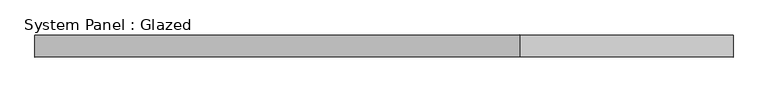
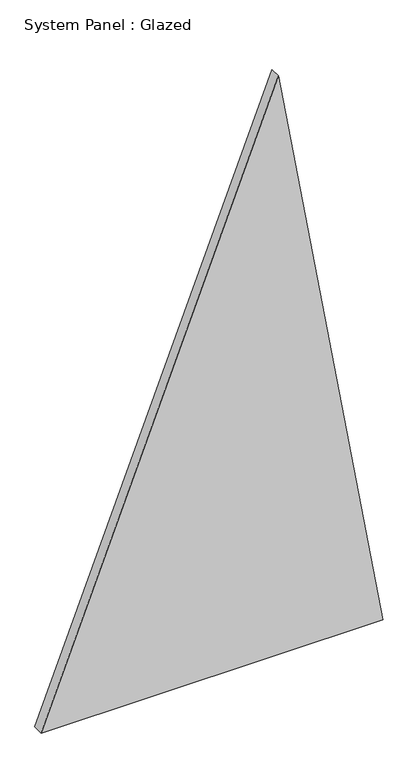
"""IFC4 building model written with IfcOpenShell, lengths in millimetres: plate geometry, System Panel : Glazed."""

from ifc_helpers import new_model, si_unit, frame, origin, place, context, project, spatial, polyline, outline, extrude, source, transform, mapped, element, save


def system_panel_glazed_957ee3aa(model_context):
    return source(origin(), model_context, "Body", "SweptSolid", [
        extrude(outline(polyline([(0.0, -573.2492921), (0.0, 573.2492921), (2050.1767125, 222.6492693), (0.0, -573.2492921)])), frame((0.0, -18.0, 0.0), z_axis=(0.0, 1.0, 0.0), x_axis=(0.0, 0.0, 1.0)), (0.0, 0.0, 1.0), 36.0),
    ])


if __name__ == "__main__":
    model = new_model("IFC4")
    model_context = context("Model", 3, world=origin())
    ifc_project = project(units=[si_unit("LENGTHUNIT", "METRE", prefix="MILLI")], contexts=[model_context])
    site = spatial("IfcSite", under=ifc_project)
    building = spatial("IfcBuilding", under=site)
    placement = place(None, origin())
    system_panel_glazed_shape = system_panel_glazed_957ee3aa(model_context)
    element("IfcPlate", 1, ObjectType="System Panel : Glazed", at=placement, inside=building, context=model_context, shape_type="MappedRepresentation", body=[
        mapped(system_panel_glazed_shape, transform((0.0, 0.0, 0.0), x_axis=(1.0, 0.0, 0.0), y_axis=(0.0, 1.0, 0.0), z_axis=(0.0, 0.0, 1.0))),
    ])
    save(model, "model.ifc")
